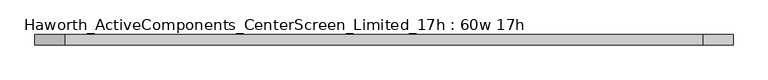
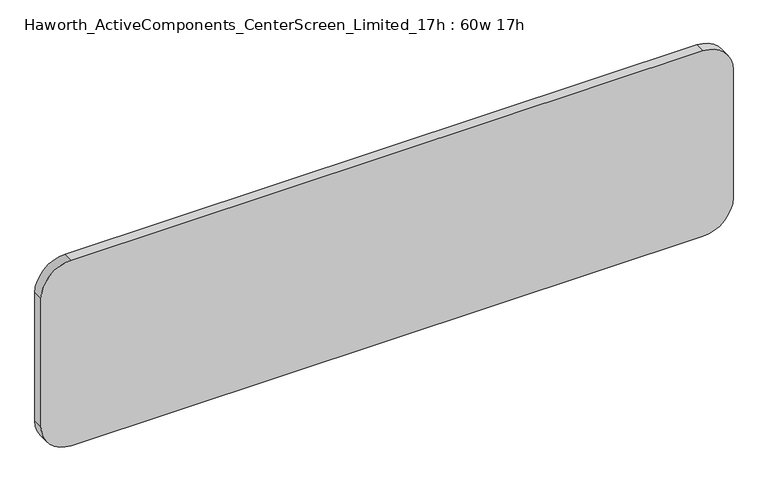
"""IFC4 building model written with IfcOpenShell, lengths in millimetres: furniture geometry, Haworth_ActiveComponents_CenterScreen_Limited_17h : 60w 17h."""

from ifc_helpers import new_model, si_unit, point, frame, frame_2d, origin, place, context, project, spatial, polyline, circle_curve, trimmed, segment, composite_curve, outline, extrude, source, transform, mapped, element, save


def haworth_activecomponents_centerscreen_limited_17h_60w_17h_f2d7e02c(model_context):
    return source(origin(), model_context, "Body", "SweptSolid", [
        extrude(outline(composite_curve([segment(trimmed(circle_curve(frame_2d((790.575, -715.9625)), 66.675), [point((857.25, -715.9625))], [point((790.575, -782.6375))], False, "CARTESIAN"), True, "CONTINUOUS"), segment(polyline([(790.575, -782.6375), (492.125, -782.6375)]), True, "CONTINUOUS"), segment(trimmed(circle_curve(frame_2d((492.125, -715.9625)), 66.675), [point((492.125, -782.6375))], [point((425.45, -715.9625))], False, "CARTESIAN"), True, "CONTINUOUS"), segment(polyline([(425.45, -715.9625), (425.45, 674.6875)]), True, "CONTINUOUS"), segment(trimmed(circle_curve(frame_2d((492.125, 674.6875)), 66.675), [point((425.45, 674.6875))], [point((492.125, 741.3625))], False, "CARTESIAN"), True, "CONTINUOUS"), segment(polyline([(492.125, 741.3625), (790.575, 741.3625)]), True, "CONTINUOUS"), segment(trimmed(circle_curve(frame_2d((790.575, 674.6875)), 66.675), [point((790.575, 741.3625))], [point((857.25, 674.6875))], False, "CARTESIAN"), True, "CONTINUOUS"), segment(polyline([(857.25, 674.6875), (857.25, -715.9625)]), True, "CONTINUOUS")], self_intersect=False)), frame((0.0, -181.2465234, 0.0), z_axis=(0.0, 1.0, 0.0), x_axis=(0.0, 0.0, 1.0)), (0.0, 0.0, 1.0), 23.01875),
    ])


if __name__ == "__main__":
    model = new_model("IFC4")
    model_context = context("Model", 3, world=origin())
    ifc_project = project(units=[si_unit("LENGTHUNIT", "METRE", prefix="MILLI")], contexts=[model_context])
    site = spatial("IfcSite", under=ifc_project)
    building = spatial("IfcBuilding", under=site)
    placement = place(None, origin())
    haworth_activecomponents_centerscreen_limited_17h_60w_17h_shape = haworth_activecomponents_centerscreen_limited_17h_60w_17h_f2d7e02c(model_context)
    element("IfcFurniture", 1, ObjectType="Haworth_ActiveComponents_CenterScreen_Limited_17h : 60w 17h", at=placement, inside=building, context=model_context, shape_type="MappedRepresentation", body=[
        mapped(haworth_activecomponents_centerscreen_limited_17h_60w_17h_shape, transform((0.0, 0.0, 0.0), x_axis=(1.0, 0.0, 0.0), y_axis=(0.0, 1.0, 0.0), z_axis=(0.0, 0.0, 1.0))),
    ])
    save(model, "model.ifc")
